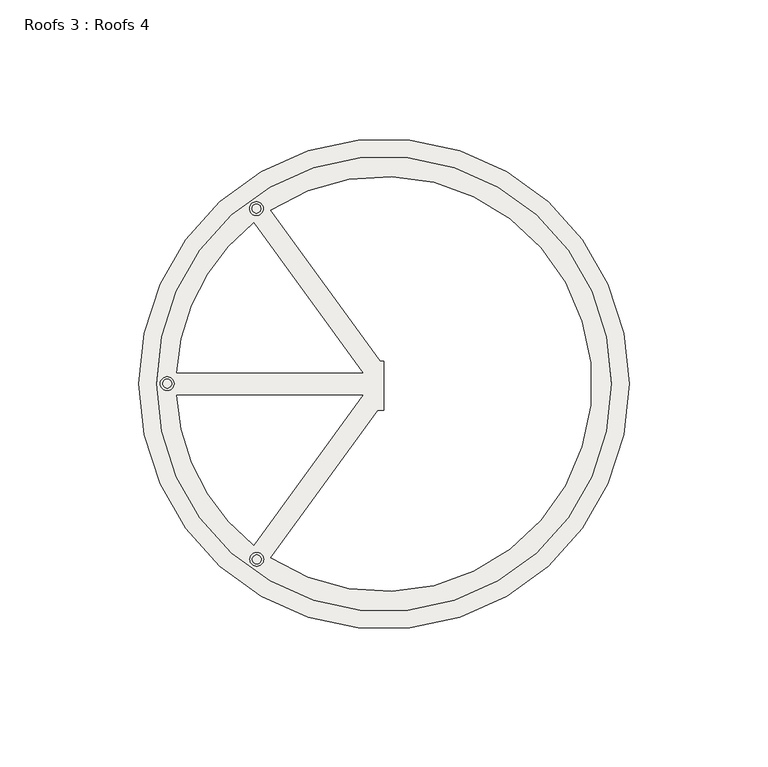
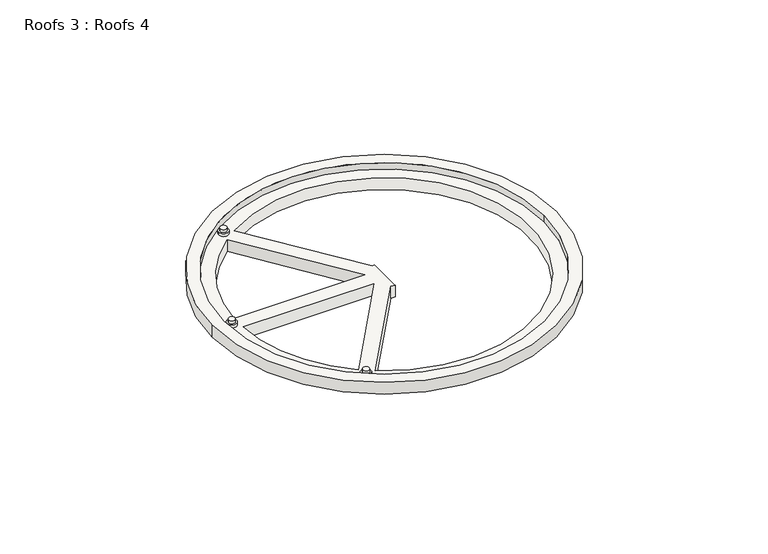
"""IFC4 building model written with IfcOpenShell, lengths in millimetres: roof geometry, Roofs 3 : Roofs 4."""

from ifc_helpers import new_model, si_unit, point, frame, frame_2d, origin, origin_with_axes, place, context, project, spatial, polyline, circle_curve, trimmed, segment, composite_curve, outline, extrude, source, transform, mapped, element, save


def roofs_3_roofs_4_89e81fa1(model_context):
    return source(origin(), model_context, "Body", "SweptSolid", [
        extrude(outline(composite_curve([segment(trimmed(circle_curve(frame_2d((-2701.6136679, 4616.5937868)), 1.6114192), [point((-2703.2250872, 4616.5937868))], [point((-2700.0022487, 4616.5937868))], False, "CARTESIAN"), True, "CONTINUOUS"), segment(trimmed(circle_curve(frame_2d((-2701.6136679, 4616.5937868)), 1.6114192), [point((-2700.0022487, 4616.5937868))], [point((-2703.2250872, 4616.5937868))], False, "CARTESIAN"), True, "CONTINUOUS")], self_intersect=False)), frame((0.0, 0.0, 1.5875), z_axis=(0.0, 0.0, 1.0), x_axis=(1.0, 0.0, 0.0)), (0.0, 0.0, 1.0), 1.5875),
        extrude(outline(composite_curve([segment(trimmed(circle_curve(frame_2d((-2701.6136679, 4616.5937868)), 2.4728078), [point((-2704.0864757, 4616.5937868))], [point((-2699.1408602, 4616.5937868))], False, "CARTESIAN"), True, "CONTINUOUS"), segment(trimmed(circle_curve(frame_2d((-2701.6136679, 4616.5937868)), 2.4728078), [point((-2699.1408602, 4616.5937868))], [point((-2704.0864757, 4616.5937868))], False, "CARTESIAN"), True, "CONTINUOUS")], self_intersect=False)), origin_with_axes(), (0.0, 0.0, 1.0), 1.5875),
        extrude(outline(composite_curve([segment(trimmed(circle_curve(frame_2d((-2733.8536802, 4679.8683734)), 1.6114192), [point((-2735.4650994, 4679.8683734))], [point((-2732.2422609, 4679.8683734))], False, "CARTESIAN"), True, "CONTINUOUS"), segment(trimmed(circle_curve(frame_2d((-2733.8536802, 4679.8683734)), 1.6114192), [point((-2732.2422609, 4679.8683734))], [point((-2735.4650994, 4679.8683734))], False, "CARTESIAN"), True, "CONTINUOUS")], self_intersect=False)), frame((0.0, 0.0, 1.5875), z_axis=(0.0, 0.0, 1.0), x_axis=(1.0, 0.0, 0.0)), (0.0, 0.0, 1.0), 1.5875),
        extrude(outline(composite_curve([segment(trimmed(circle_curve(frame_2d((-2733.8536802, 4679.8683734)), 2.4728078), [point((-2736.3264879, 4679.8683734))], [point((-2731.3808724, 4679.8683734))], False, "CARTESIAN"), True, "CONTINUOUS"), segment(trimmed(circle_curve(frame_2d((-2733.8536802, 4679.8683734)), 2.4728078), [point((-2731.3808724, 4679.8683734))], [point((-2736.3264879, 4679.8683734))], False, "CARTESIAN"), True, "CONTINUOUS")], self_intersect=False)), origin_with_axes(), (0.0, 0.0, 1.0), 1.5875),
        extrude(outline(composite_curve([segment(trimmed(circle_curve(frame_2d((-2701.7508665, 4742.8736928)), 1.6114192), [point((-2703.3622857, 4742.8736928))], [point((-2700.1394473, 4742.8736928))], False, "CARTESIAN"), True, "CONTINUOUS"), segment(trimmed(circle_curve(frame_2d((-2701.7508665, 4742.8736928)), 1.6114192), [point((-2700.1394473, 4742.8736928))], [point((-2703.3622857, 4742.8736928))], False, "CARTESIAN"), True, "CONTINUOUS")], self_intersect=False)), frame((0.0, 0.0, 1.5875), z_axis=(0.0, 0.0, 1.0), x_axis=(1.0, 0.0, 0.0)), (0.0, 0.0, 1.0), 1.5875),
        extrude(outline(composite_curve([segment(trimmed(circle_curve(frame_2d((-2701.7508665, 4742.8736928)), 2.4728078), [point((-2704.2236743, 4742.8736928))], [point((-2699.2780587, 4742.8736928))], False, "CARTESIAN"), True, "CONTINUOUS"), segment(trimmed(circle_curve(frame_2d((-2701.7508665, 4742.8736928)), 2.4728078), [point((-2699.2780587, 4742.8736928))], [point((-2704.2236743, 4742.8736928))], False, "CARTESIAN"), True, "CONTINUOUS")], self_intersect=False)), origin_with_axes(), (0.0, 0.0, 1.0), 1.5875),
        extrude(outline(composite_curve([segment(trimmed(circle_curve(frame_2d((-2655.8124469, 4679.732624)), 88.2332766), [point((-2744.0457235, 4679.732624))], [point((-2567.5791703, 4679.732624))], False, "CARTESIAN"), True, "CONTINUOUS"), segment(trimmed(circle_curve(frame_2d((-2655.8124469, 4679.732624)), 88.2332766), [point((-2567.5791703, 4679.732624))], [point((-2744.0457235, 4679.732624))], False, "CARTESIAN"), True, "CONTINUOUS")], self_intersect=False), holes=[composite_curve([segment(trimmed(circle_curve(frame_2d((-2655.8124469, 4679.732624)), 81.8832766), [point((-2573.9291703, 4679.732624))], [point((-2737.6957235, 4679.732624))], True, "CARTESIAN"), True, "CONTINUOUS"), segment(trimmed(circle_curve(frame_2d((-2655.8124469, 4679.732624)), 81.8832766), [point((-2737.6957235, 4679.732624))], [point((-2573.9291703, 4679.732624))], True, "CARTESIAN"), True, "CONTINUOUS")], self_intersect=False)]), frame((0.0, 0.0, -3.175), z_axis=(0.0, 0.0, 1.0), x_axis=(1.0, 0.0, 0.0)), (0.0, 0.0, 1.0), 6.35),
        extrude(outline(composite_curve([segment(trimmed(circle_curve(frame_2d((-2655.8124469, 4679.732624)), 81.8832766), [point((-2737.6957235, 4679.732624))], [point((-2573.9291703, 4679.732624))], False, "CARTESIAN"), True, "CONTINUOUS"), segment(trimmed(circle_curve(frame_2d((-2655.8124469, 4679.732624)), 81.8832766), [point((-2573.9291703, 4679.732624))], [point((-2737.6957235, 4679.732624))], False, "CARTESIAN"), True, "CONTINUOUS")], self_intersect=False), holes=[composite_curve([segment(polyline([(-2655.8124469, 4688.1019864), (-2655.8124469, 4670.1726366), (-2658.0687647, 4670.1726366), (-2696.6125712, 4617.1216382)]), True, "CONTINUOUS"), segment(trimmed(circle_curve(frame_2d((-2655.8124469, 4679.732624)), 74.7314237), [point((-2696.6125712, 4617.1216382))], [point((-2696.6125712, 4742.3436098))], True, "CARTESIAN"), True, "CONTINUOUS"), segment(polyline([(-2696.6125712, 4742.3436098), (-2657.203725, 4688.1019864), (-2655.8124469, 4688.1019864)]), True, "CONTINUOUS")], self_intersect=False), composite_curve([segment(polyline([(-2730.4384123, 4683.701374), (-2663.4430246, 4683.701374), (-2702.7874582, 4737.8543411)]), True, "CONTINUOUS"), segment(trimmed(circle_curve(frame_2d((-2655.8124469, 4679.732624)), 74.7314237), [point((-2702.7874582, 4737.8543411))], [point((-2730.4384123, 4683.701374))], True, "CARTESIAN"), True, "CONTINUOUS")], self_intersect=False), composite_curve([segment(trimmed(circle_curve(frame_2d((-2655.8124469, 4679.732624)), 74.7314237), [point((-2730.4384123, 4675.763874))], [point((-2702.7874582, 4621.6109069))], True, "CARTESIAN"), True, "CONTINUOUS"), segment(polyline([(-2702.7874582, 4621.6109069), (-2663.4430246, 4675.763874), (-2730.4384123, 4675.763874)]), True, "CONTINUOUS")], self_intersect=False)]), frame((0.0, 0.0, -6.35), z_axis=(0.0, 0.0, 1.0), x_axis=(1.0, 0.0, 0.0)), (0.0, 0.0, 1.0), 6.35),
    ])


if __name__ == "__main__":
    model = new_model("IFC4")
    model_context = context("Model", 3, world=origin())
    ifc_project = project(units=[si_unit("LENGTHUNIT", "METRE", prefix="MILLI")], contexts=[model_context])
    site = spatial("IfcSite", under=ifc_project)
    building = spatial("IfcBuilding", under=site)
    placement = place(None, origin())
    roofs_3_roofs_4_shape = roofs_3_roofs_4_89e81fa1(model_context)
    element("IfcRoof", 1, ObjectType="Roofs 3 : Roofs 4", at=placement, inside=building, context=model_context, shape_type="MappedRepresentation", body=[
        mapped(roofs_3_roofs_4_shape, transform((0.0, 0.0, 0.0), x_axis=(1.0, 0.0, 0.0), y_axis=(0.0, 1.0, 0.0), z_axis=(0.0, 0.0, 1.0))),
    ])
    save(model, "model.ifc")
